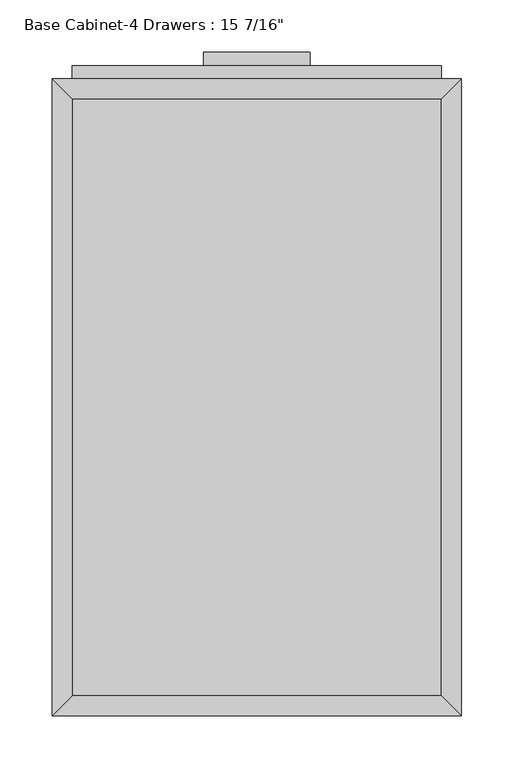
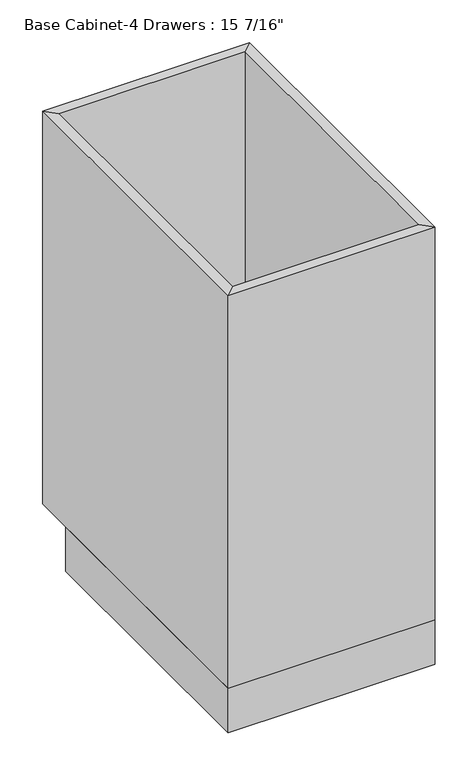
"""IFC4 building model written with IfcOpenShell, lengths in millimetres: furniture geometry."""

from ifc_helpers import new_model, si_unit, frame, origin, origin_with_axes, place, context, project, spatial, polyline, outline, extrude, faceted_brep, source, transform, mapped, element, save


def furniture_740a88dc(model_context):
    return source(origin(), model_context, "Body", "SolidModel", [
        extrude(outline(polyline([(69.5377049, 635.0), (69.5377049, 622.3), (-32.0622951, 622.3), (-32.0622951, 635.0), (69.5377049, 635.0)])), frame((0.0, 0.0, 819.15), z_axis=(0.0, 0.0, 1.0), x_axis=(1.0, 0.0, 0.0)), (0.0, 0.0, 1.0), 12.7),
        extrude(outline(polyline([(69.5377049, 635.0), (69.5377049, 622.3), (-32.0622951, 622.3), (-32.0622951, 635.0), (69.5377049, 635.0)])), frame((0.0, 0.0, 698.5), z_axis=(0.0, 0.0, 1.0), x_axis=(1.0, 0.0, 0.0)), (0.0, 0.0, 1.0), 12.7),
        extrude(outline(polyline([(69.5377049, 635.0), (69.5377049, 622.3), (-32.0622951, 622.3), (-32.0622951, 635.0), (69.5377049, 635.0)])), frame((0.0, 0.0, 546.1), z_axis=(0.0, 0.0, 1.0), x_axis=(1.0, 0.0, 0.0)), (0.0, 0.0, 1.0), 12.7),
        extrude(outline(polyline([(69.5377049, 635.0), (69.5377049, 622.3), (-32.0622951, 622.3), (-32.0622951, 635.0), (69.5377049, 635.0)])), frame((0.0, 0.0, 393.7), z_axis=(0.0, 0.0, 1.0), x_axis=(1.0, 0.0, 0.0)), (0.0, 0.0, 1.0), 12.7),
        extrude(outline(polyline([(195.7439549, 622.3), (195.7439549, 609.6), (-158.2685451, 609.6), (-158.2685451, 622.3), (195.7439549, 622.3)])), frame((0.0, 0.0, 749.3), z_axis=(0.0, 0.0, 1.0), x_axis=(1.0, 0.0, 0.0)), (0.0, 0.0, 1.0), 107.95),
        extrude(outline(polyline([(195.7439549, 622.3), (195.7439549, 609.6), (-158.2685451, 609.6), (-158.2685451, 622.3), (195.7439549, 622.3)])), frame((0.0, 0.0, 596.9), z_axis=(0.0, 0.0, 1.0), x_axis=(1.0, 0.0, 0.0)), (0.0, 0.0, 1.0), 139.7),
        extrude(outline(polyline([(195.7439549, 622.3), (195.7439549, 609.6), (-158.2685451, 609.6), (-158.2685451, 622.3), (195.7439549, 622.3)])), frame((0.0, 0.0, 444.5), z_axis=(0.0, 0.0, 1.0), x_axis=(1.0, 0.0, 0.0)), (0.0, 0.0, 1.0), 139.7),
        extrude(outline(polyline([(195.7439549, 622.3), (195.7439549, 609.6), (-158.2685451, 609.6), (-158.2685451, 622.3), (195.7439549, 622.3)])), frame((0.0, 0.0, 120.65), z_axis=(0.0, 0.0, 1.0), x_axis=(1.0, 0.0, 0.0)), (0.0, 0.0, 1.0), 311.15),
        extrude(outline(polyline([(195.7439549, 19.05), (-158.2685451, 19.05), (-158.2685451, 590.55), (195.7439549, 590.55), (195.7439549, 19.05)])), frame((0.0, 0.0, 88.9), z_axis=(0.0, 0.0, 1.0), x_axis=(1.0, 0.0, 0.0)), (0.0, 0.0, 1.0), 19.05),
        faceted_brep([(195.7439549, 590.55, 876.3), (-158.2685451, 590.55, 876.3), (-158.2685451, 590.55, 88.9), (195.7439549, 590.55, 88.9), (214.7939549, 609.6, 876.3), (-177.3185451, 609.6, 876.3), (214.7939549, 609.6, 88.9), (-177.3185451, 609.6, 88.9), (-158.2685451, 19.05, 876.3), (-158.2685451, 19.05, 88.9), (-177.3185451, 0.0, 876.3), (-177.3185451, 0.0, 88.9), (195.7439549, 19.05, 876.3), (195.7439549, 19.05, 88.9), (214.7939549, 0.0, 876.3), (214.7939549, 0.0, 88.9)], [[[0, 1, 2, 3]], [[4, 5, 1, 0]], [[6, 7, 5, 4]], [[3, 2, 7, 6]], [[1, 8, 9, 2]], [[5, 10, 8, 1]], [[7, 11, 10, 5]], [[2, 9, 11, 7]], [[8, 12, 13, 9]], [[10, 14, 12, 8]], [[11, 15, 14, 10]], [[9, 13, 15, 11]], [[12, 0, 3, 13]], [[14, 4, 0, 12]], [[15, 6, 4, 14]], [[13, 3, 6, 15]]]),
        extrude(outline(polyline([(214.7939549, 0.0), (-177.3185451, 0.0), (-177.3185451, 533.4), (214.7939549, 533.4), (214.7939549, 0.0)])), origin_with_axes(), (0.0, 0.0, 1.0), 88.9),
    ])


if __name__ == "__main__":
    model = new_model("IFC4")
    model_context = context("Model", 3, world=origin())
    ifc_project = project(units=[si_unit("LENGTHUNIT", "METRE", prefix="MILLI")], contexts=[model_context])
    site = spatial("IfcSite", under=ifc_project)
    building = spatial("IfcBuilding", under=site)
    placement = place(None, origin())
    furniture_shape = furniture_740a88dc(model_context)
    element("IfcFurniture", 1, ObjectType="Base Cabinet-4 Drawers : 15 7/16\"", at=placement, inside=building, context=model_context, shape_type="MappedRepresentation", body=[
        mapped(furniture_shape, transform((0.0, 0.0, 0.0), x_axis=(1.0, 0.0, 0.0), y_axis=(0.0, 1.0, 0.0), z_axis=(0.0, 0.0, 1.0))),
    ])
    save(model, "model.ifc")
